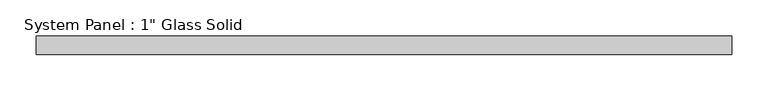
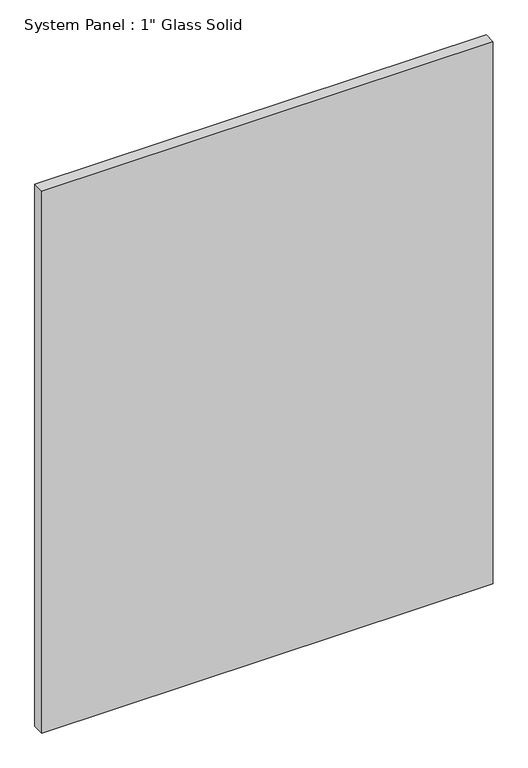
"""IFC4 building model written with IfcOpenShell, lengths in millimetres: plate geometry."""

from ifc_helpers import new_model, si_unit, origin, origin_with_axes, place, context, project, spatial, polyline, outline, extrude, source, transform, mapped, element, save


def plate_5fd99254(model_context):
    return source(origin(), model_context, "Body", "SweptSolid", [
        extrude(outline(polyline([(479.4258852, -12.7), (-479.4258852, -12.7), (-479.4258852, 12.7), (479.4258852, 12.7), (479.4258852, -12.7)])), origin_with_axes(), (0.0, 0.0, 1.0), 1216.025),
    ])


if __name__ == "__main__":
    model = new_model("IFC4")
    model_context = context("Model", 3, world=origin())
    ifc_project = project(units=[si_unit("LENGTHUNIT", "METRE", prefix="MILLI")], contexts=[model_context])
    site = spatial("IfcSite", under=ifc_project)
    building = spatial("IfcBuilding", under=site)
    placement = place(None, origin())
    plate_shape = plate_5fd99254(model_context)
    element("IfcPlate", 1, ObjectType="System Panel : 1\" Glass Solid", at=placement, inside=building, context=model_context, shape_type="MappedRepresentation", body=[
        mapped(plate_shape, transform((0.0, 0.0, 0.0), x_axis=(1.0, 0.0, 0.0), y_axis=(0.0, 1.0, 0.0), z_axis=(0.0, 0.0, 1.0))),
    ])
    save(model, "model.ifc")
